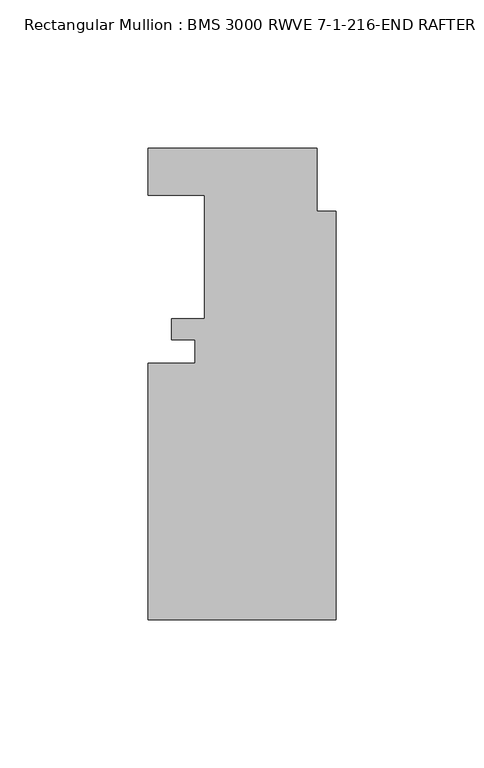
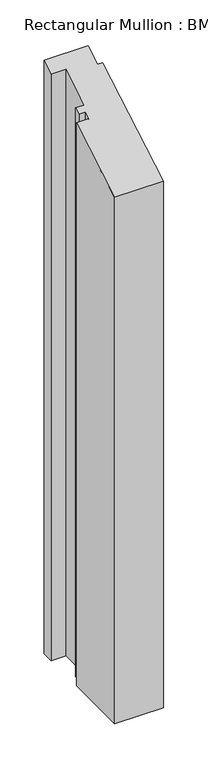
"""IFC4 building model written with IfcOpenShell, lengths in millimetres: member geometry, Rectangular Mullion : BMS 3000 RWVE 7-1-216-END RAFTER."""

from ifc_helpers import new_model, si_unit, origin, place, context, project, spatial, faceted_brep, source, transform, mapped, element, save


def rectangular_mullion_bms_3000_rwve_7_1_216_end_rafter_25fca3d3(model_context):
    return source(origin(), model_context, "Body", "Brep", [
        faceted_brep([(-6.35, -15.1495125, -812.8), (0.0, -15.1495125, -812.8), (0.0, -152.9953125, -812.8), (-63.5, -152.9953125, -812.8), (-63.5, -66.4575125, -812.8), (-47.625, -66.4575125, -812.8), (-47.625, -58.5581125, -812.8), (-55.5752, -58.5581125, -812.8), (-55.5752, -51.3953125, -812.8), (-44.45, -51.3953125, -812.8), (-44.45, -9.7393125, -812.8), (-63.5, -9.7393125, -812.8), (-63.5, 6.1356875, -812.8), (-6.35, 6.1356875, -812.8), (-6.35, 6.1356875, 3.5424408), (-6.35, -15.1495125, -8.7465751), (-63.5, 6.1356875, 3.5424408), (-63.5, -9.7393125, -5.6229947), (-44.45, -9.7393125, -5.6229947), (-44.45, -51.3953125, -29.6730975), (-55.5752, -51.3953125, -29.6730975), (-55.5752, -58.5581125, -33.808542), (-47.625, -58.5581125, -33.808542), (-47.625, -66.4575125, -38.3692627), (-63.5, -66.4575125, -38.3692627), (-63.5, -152.9953125, -88.3318849), (0.0, -152.9953125, -88.3318849), (0.0, -15.1495125, -8.7465751)], [[[0, 1, 2, 3, 4, 5, 6, 7, 8, 9, 10, 11, 12, 13]], [[14, 15, 0, 13]], [[16, 14, 13, 12]], [[17, 16, 12, 11]], [[18, 17, 11, 10]], [[19, 18, 10, 9]], [[20, 19, 9, 8]], [[21, 20, 8, 7]], [[22, 21, 7, 6]], [[23, 22, 6, 5]], [[24, 23, 5, 4]], [[25, 24, 4, 3]], [[26, 25, 3, 2]], [[27, 26, 2, 1]], [[15, 27, 1, 0]], [[15, 14, 16, 17, 18, 19, 20, 21, 22, 23, 24, 25, 26, 27]]]),
    ])


if __name__ == "__main__":
    model = new_model("IFC4")
    model_context = context("Model", 3, world=origin())
    ifc_project = project(units=[si_unit("LENGTHUNIT", "METRE", prefix="MILLI")], contexts=[model_context])
    site = spatial("IfcSite", under=ifc_project)
    building = spatial("IfcBuilding", under=site)
    placement = place(None, origin())
    rectangular_mullion_bms_3000_rwve_7_1_216_end_rafter_shape = rectangular_mullion_bms_3000_rwve_7_1_216_end_rafter_25fca3d3(model_context)
    element("IfcMember", 1, ObjectType="Rectangular Mullion : BMS 3000 RWVE 7-1-216-END RAFTER", at=placement, inside=building, context=model_context, shape_type="MappedRepresentation", body=[
        mapped(rectangular_mullion_bms_3000_rwve_7_1_216_end_rafter_shape, transform((0.0, 0.0, 0.0), x_axis=(1.0, 0.0, 0.0), y_axis=(0.0, 1.0, 0.0), z_axis=(0.0, 0.0, 1.0))),
    ])
    save(model, "model.ifc")
